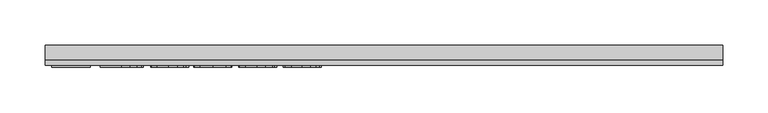
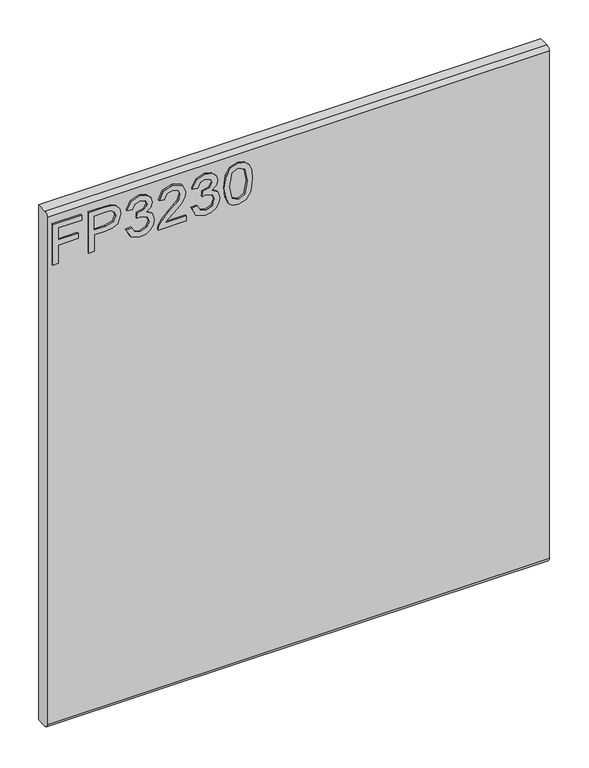
"""IFC4 building model written with IfcOpenShell, lengths in millimetres: furniture geometry."""

from ifc_helpers import new_model, si_unit, frame, origin, place, context, project, spatial, polyline, circle_curve, outline, extrude, source, transform, mapped, element, save
from ifc_brep_helpers import plane_surface, cylinder_surface, advanced_brep


def furniture_da4e3613(model_context):
    return source(origin(), model_context, "Body", "SolidModel", [
        extrude(outline(polyline([(882.65, -367.6729953), (882.65, -359.6992757), (911.5547336, -359.6992757), (911.5547336, -329.7978271), (919.5284532, -329.7978271), (919.5284532, -359.6992757), (938.4660373, -359.6992757), (938.4660373, -324.8142524), (946.4397569, -324.8142524), (946.4397569, -367.6729953), (882.65, -367.6729953)])), frame((0.0, -15.0812439, 0.0), z_axis=(0.0, 1.0, 0.0), x_axis=(0.0, 0.0, 1.0)), (0.0, 0.0, 1.0), 2.38125),
        extrude(outline(polyline([(882.65, -313.8503879), (882.65, -305.8766683), (908.5645888, -305.8766683), (908.5645888, -289.6644766), (909.974006, -278.3365776), (914.2022577, -271.1395948), (927.9849567, -266.0080702), (936.682852, -267.9080581), (942.8500257, -272.930567), (945.8323838, -280.6784684), (946.4397569, -290.2095551), (946.4397569, -313.8503879), (882.65, -313.8503879)]), holes=[polyline([(916.5383084, -305.8766683), (938.4660373, -305.8766683), (938.4660373, -289.3841506), (937.9209588, -281.4104309), (934.3078671, -276.0297276), (927.7046306, -273.9817898), (919.4661585, -277.4547185), (916.5383084, -289.1972665), (916.5383084, -305.8766683)])]), frame((0.0, -15.0812439, 0.0), z_axis=(0.0, 1.0, 0.0), x_axis=(0.0, 0.0, 1.0)), (0.0, 0.0, 1.0), 2.38125),
        extrude(outline(polyline([(899.5941542, -258.0343506), (886.6524335, -251.6958664), (881.653285, -237.7107098), (883.1172101, -229.1880182), (887.5089854, -222.2772017), (894.0032063, -217.6985424), (901.7744681, -216.1723226), (912.1465331, -219.2247621), (917.597318, -227.9148706), (922.8767925, -221.3739287), (930.2275653, -219.1624674), (938.2713664, -221.4907313), (944.2516562, -228.2185572), (946.4397569, -237.8352991), (942.0012607, -250.5122674), (929.4956028, -257.0376356), (928.4988878, -249.063916), (935.9742499, -245.1549246), (938.4660373, -237.5549731), (935.9976105, -230.0484636), (929.7603552, -227.1361871), (922.7210558, -231.1541942), (920.5251682, -241.4795382), (912.5514486, -242.3672374), (913.4235742, -236.7762895), (910.16089, -227.7124129), (901.9146312, -224.1460422), (893.162228, -227.7435602), (889.6270047, -237.4303837), (892.1966604, -245.6610689), (900.5908691, -250.060631), (899.5941542, -258.0343506)])), frame((0.0, -15.0812439, 0.0), z_axis=(0.0, 1.0, 0.0), x_axis=(0.0, 0.0, 1.0)), (0.0, 0.0, 1.0), 2.38125),
        extrude(outline(polyline([(890.6237196, -168.3300049), (890.6237196, -199.6486575), (894.6806609, -196.0511395), (902.350694, -186.8782472), (913.2756243, -175.4549594), (921.0936072, -170.7439239), (928.6546245, -169.3267198), (941.3315928, -174.5828338), (946.4397569, -188.8561034), (941.845524, -203.082652), (928.4988878, -209.1953179), (927.5021729, -201.2215983), (935.5537608, -197.8654722), (938.4660373, -189.0274138), (935.4836793, -180.5475499), (928.1718407, -177.3004395), (919.1391115, -180.7422208), (905.85477, -194.509346), (896.6117962, -204.4920692), (888.1475059, -209.335481), (882.65, -210.1920329), (882.65, -168.3300049), (890.6237196, -168.3300049)])), frame((0.0, -15.0812439, 0.0), z_axis=(0.0, 1.0, 0.0), x_axis=(0.0, 0.0, 1.0)), (0.0, 0.0, 1.0), 2.38125),
        extrude(outline(polyline([(899.5941542, -160.3562853), (886.6524335, -154.0178011), (881.653285, -140.0326444), (883.1172101, -131.5099529), (887.5089854, -124.5991364), (894.0032063, -120.020477), (901.7744681, -118.4942573), (912.1465331, -121.5466968), (917.597318, -130.2368053), (922.8767925, -123.6958634), (930.2275653, -121.4844021), (938.2713664, -123.812666), (944.2516562, -130.5404919), (946.4397569, -140.1572338), (942.0012607, -152.8342021), (929.4956028, -159.3595703), (928.4988878, -151.3858507), (935.9742499, -147.4768592), (938.4660373, -139.8769077), (935.9976105, -132.3703982), (929.7603552, -129.4581217), (922.7210558, -133.4761289), (920.5251682, -143.8014729), (912.5514486, -144.6891721), (913.4235742, -139.0982242), (910.16089, -130.0343476), (901.9146312, -126.4679769), (893.162228, -130.0654949), (889.6270047, -139.7523184), (892.1966604, -147.9830036), (900.5908691, -152.3825656), (899.5941542, -160.3562853)])), frame((0.0, -15.0812439, 0.0), z_axis=(0.0, 1.0, 0.0), x_axis=(0.0, 0.0, 1.0)), (0.0, 0.0, 1.0), 2.38125),
        extrude(outline(polyline([(914.0309473, -111.5172526), (898.5156775, -109.9287381), (887.7270168, -105.1631948), (883.171718, -98.8714316), (881.653285, -90.5862386), (885.1495742, -78.9137721), (895.7552443, -71.9757016), (914.0309473, -69.6552246), (929.0206058, -71.103576), (938.4582505, -74.8412571), (944.3840324, -81.2731833), (946.4397569, -90.5862386), (942.9668283, -102.2119841), (932.3845188, -109.1734151), (914.0309473, -111.5172526)]), holes=[polyline([(914.046521, -103.543533), (934.1988514, -99.6812625), (938.4660373, -90.6796806), (933.6226256, -81.2420359), (914.046521, -77.6289442), (894.2601718, -81.3666253), (889.6270047, -90.5862386), (894.2445982, -99.8058519), (914.046521, -103.543533)])]), frame((0.0, -15.0812439, 0.0), z_axis=(0.0, 1.0, 0.0), x_axis=(0.0, 0.0, 1.0)), (0.0, 0.0, 1.0), 2.38125),
        advanced_brep(
        [(374.65, 9.5250061, 965.2), (374.65, -6.7309939, 965.2), (374.65, -12.6999939, 959.231), (374.65, -12.6999939, 158.369), (374.65, -6.7309939, 152.4), (374.65, 9.5250061, 152.4), (-374.65, 9.5250061, 965.2), (-374.65, 9.5250061, 152.4), (-374.65, -6.7309939, 152.4), (-374.65, -12.6999939, 158.369), (-374.65, -12.6999939, 959.2310121), (-374.65, -6.7309939, 965.2)],
        [
            (0, 1),
            (1, 2, circle_curve(frame((374.65, -6.7309939, 959.231), z_axis=(1.0, 0.0, 0.0), x_axis=(0.0, 1.0, 0.0)), 5.969)),
            (2, 3),
            (3, 4, circle_curve(frame((374.65, -6.7309939, 158.369), z_axis=(1.0, 0.0, 0.0), x_axis=(0.0, 1.0, 0.0)), 5.969)),
            (4, 5),
            (5, 0),
            (6, 7),
            (7, 8),
            (8, 9, circle_curve(frame((-374.65, -6.7309939, 158.369), z_axis=(-1.0, 0.0, 0.0), x_axis=(0.0, 1.0, 0.0)), 5.969)),
            (9, 10),
            (10, 11, circle_curve(frame((-374.65, -6.7309939, 959.231), z_axis=(-1.0, 0.0, 0.0), x_axis=(0.0, 1.0, 0.0)), 5.969)),
            (11, 6),
            (0, 6),
            (11, 1),
            (10, 2),
            (9, 3),
            (8, 4),
            (7, 5),
        ],
        [
            plane_surface(frame((374.65, -6.7309939, 965.2), z_axis=(1.0, 0.0, 0.0), x_axis=(0.0, -1.0, 0.0))),
            plane_surface(frame((-374.65, -6.7309939, 965.2), z_axis=(-1.0, 0.0, 0.0), x_axis=(0.0, 1.0, 0.0))),
            plane_surface(frame((374.65, 9.5250061, 965.2), z_axis=(0.0, 0.0, 1.0), x_axis=(-1.0, 0.0, 0.0))),
            cylinder_surface(frame((-374.65, -6.7309939, 959.231), z_axis=(1.0, 0.0, 0.0), x_axis=(0.0, 1.0, 0.0)), 5.969),
            plane_surface(frame((374.65, -12.6999939, 959.2310121), z_axis=(0.0, -1.0, 0.0), x_axis=(-1.0, 0.0, 0.0))),
            cylinder_surface(frame((-374.65, -6.7309939, 158.369), z_axis=(1.0, 0.0, 0.0), x_axis=(0.0, 1.0, 0.0)), 5.969),
            plane_surface(frame((374.65, -6.7309939, 152.4), z_axis=(0.0, 0.0, -1.0), x_axis=(-1.0, 0.0, 0.0))),
            plane_surface(frame((374.65, 9.5250061, 152.4), z_axis=(0.0, 1.0, 0.0), x_axis=(-1.0, 0.0, 0.0))),
        ],
        [
            (0, [[1, 2, 3, 4, 5, 6]]),
            (1, [[7, 8, 9, 10, 11, 12]]),
            (2, [[-1, 13, -12, 14]]),
            (3, [[-2, -14, -11, 15]]),
            (4, [[-3, -15, -10, 16]]),
            (5, [[-4, -16, -9, 17]]),
            (6, [[-5, -17, -8, 18]]),
            (7, [[-6, -18, -7, -13]]),
        ],
    ),
    ])


if __name__ == "__main__":
    model = new_model("IFC4")
    model_context = context("Model", 3, world=origin())
    ifc_project = project(units=[si_unit("LENGTHUNIT", "METRE", prefix="MILLI")], contexts=[model_context])
    site = spatial("IfcSite", under=ifc_project)
    building = spatial("IfcBuilding", under=site)
    placement = place(None, origin())
    furniture_shape = furniture_da4e3613(model_context)
    element("IfcFurniture", 1, at=placement, inside=building, context=model_context, shape_type="MappedRepresentation", body=[
        mapped(furniture_shape, transform((0.0, 0.0, 0.0), x_axis=(1.0, 0.0, 0.0), y_axis=(0.0, 1.0, 0.0), z_axis=(0.0, 0.0, 1.0))),
    ])
    save(model, "model.ifc")
